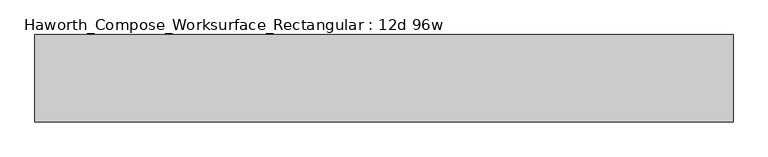
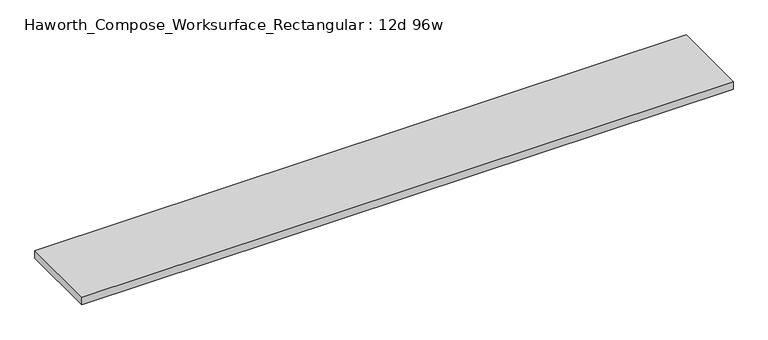
"""IFC4 building model written with IfcOpenShell, lengths in millimetres: furniture geometry, Haworth_Compose_Worksurface_Rectangular : 12d 96w."""

import ifcopenshell
import ifcopenshell.guid

model = None  # the IFC model being written
_history = None  # IfcOwnerHistory: only IFC2X3 demands one
_inside = {}  # id of a spatial element -> (the spatial element, [elements in it])
_under = {}  # id of a project, library or spatial element -> (it, [spatial elements below it])
_declared = {}  # id of a project -> (the project, [libraries it declares])
_typed = {}  # id of a type object -> (the type object, [elements of that type])
_made_of = {}  # id of a material, layer set ... -> (it, [elements and type objects made of it])


def new_model(schema):
    """Start an empty IFC model of exactly this schema.

    Asked for "IFC4X3", IfcOpenShell would pick the latest addendum, in which some entities
    have other attributes; the version numbers below select the first issue.
    IFC2X3 requires an IfcOwnerHistory on every rooted entity: one is made here for all.
    """
    global model, _history
    if schema == "IFC4X3":
        model = ifcopenshell.file(schema_version=(4, 3, 0, 0))
    else:
        model = ifcopenshell.file(schema=schema)
    _inside.clear()
    _under.clear()
    _declared.clear()
    _typed.clear()
    _made_of.clear()
    _history = None
    if model.schema == "IFC2X3":
        org = make("IfcOrganization", Name="unknown")
        user = make(
            "IfcPersonAndOrganization",
            ThePerson=make("IfcPerson", FamilyName="unknown"),
            TheOrganization=org,
        )
        app = make(
            "IfcApplication",
            ApplicationDeveloper=org,
            Version="unknown",
            ApplicationFullName="unknown",
            ApplicationIdentifier="unknown",
        )
        _history = make(
            "IfcOwnerHistory",
            OwningUser=user,
            OwningApplication=app,
            ChangeAction="ADDED",
            CreationDate=0,
        )
    return model


def make(cls, **values):
    """One entity of the class cls with the attributes given. An attribute that is None is left unset."""
    return model.create_entity(
        cls, **{name: value for name, value in values.items() if value is not None}
    )


def rooted(cls, **values):
    """An entity with a GlobalId (a new one), such as an element, a storey or a relation."""
    return make(cls, GlobalId=ifcopenshell.guid.new(), OwnerHistory=_history, **values)


def si_unit(unit_type, name, prefix=None):
    """IfcSIUnit, for example si_unit("LENGTHUNIT", "METRE", prefix="MILLI")."""
    return make("IfcSIUnit", UnitType=unit_type, Prefix=prefix, Name=name)


def assignment(units):
    """IfcUnitAssignment: the units of a project."""
    return None if units is None else make("IfcUnitAssignment", Units=units)


def point(xyz):
    """IfcCartesianPoint."""
    return None if xyz is None else make("IfcCartesianPoint", Coordinates=xyz)


def direction(xyz):
    """IfcDirection."""
    return None if xyz is None else make("IfcDirection", DirectionRatios=xyz)


def frame(location, z_axis=None, x_axis=None):
    """IfcAxis2Placement3D, a coordinate frame: its origin and axes. An axis left out is left unset."""
    return make(
        "IfcAxis2Placement3D",
        Location=point(location),
        Axis=direction(z_axis),
        RefDirection=direction(x_axis),
    )


def origin():
    """The frame at (0, 0, 0) with its axes left unset."""
    return frame((0.0, 0.0, 0.0))


def place(relative_to, where):
    """IfcLocalPlacement: puts the frame where relative to a parent placement (None: the world)."""
    return make(
        "IfcLocalPlacement", PlacementRelTo=relative_to, RelativePlacement=where
    )


def context(
    kind, dimensions, precision=None, world=None, true_north=None, identifier=None
):
    """IfcGeometricRepresentationContext, for example the 3D "Model" context."""
    return make(
        "IfcGeometricRepresentationContext",
        ContextIdentifier=identifier,
        ContextType=kind,
        CoordinateSpaceDimension=dimensions,
        Precision=precision,
        WorldCoordinateSystem=world,
        TrueNorth=true_north,
    )


def project(units=None, contexts=None):
    """IfcProject with its units and contexts."""
    return rooted(
        "IfcProject",
        Name="project",
        RepresentationContexts=contexts,
        UnitsInContext=assignment(units),
    )


def spatial(cls, under=None, at=None, **own):
    """A site, building, storey or space (cls), placed at a placement, below another one or the project."""
    s = rooted(cls, ObjectPlacement=at, **own)
    if under is not None:
        _under.setdefault(under.id(), (under, []))[1].append(s)
    return s


def polyline(points):
    """IfcPolyline through the points."""
    return make("IfcPolyline", Points=[point(p) for p in points])


def outline(outer, holes=None, kind="AREA"):
    """IfcArbitraryClosedProfileDef: a profile drawn as a closed curve; with holes, ...WithVoids."""
    if holes is None:
        return make("IfcArbitraryClosedProfileDef", ProfileType=kind, OuterCurve=outer)
    return make(
        "IfcArbitraryProfileDefWithVoids",
        ProfileType=kind,
        OuterCurve=outer,
        InnerCurves=holes,
    )


def extrude(swept, where, along, depth):
    """IfcExtrudedAreaSolid: the profile swept, set in the frame where, extruded along a direction by depth."""
    return make(
        "IfcExtrudedAreaSolid",
        SweptArea=swept,
        Position=where,
        ExtrudedDirection=direction(along),
        Depth=depth,
    )


def shape(context_of_items, identifier, shape_type, items):
    """IfcShapeRepresentation: the items that make up one representation, for example the "Body"."""
    return make(
        "IfcShapeRepresentation",
        ContextOfItems=context_of_items,
        RepresentationIdentifier=identifier,
        RepresentationType=shape_type,
        Items=items,
    )


def source(mapping_origin, context_of_items, identifier, shape_type, items):
    """IfcRepresentationMap: a shape defined once, which mapped items show again and again."""
    return make(
        "IfcRepresentationMap",
        MappingOrigin=mapping_origin,
        MappedRepresentation=shape(context_of_items, identifier, shape_type, items),
    )


def transform(
    local_origin,
    x_axis=None,
    y_axis=None,
    z_axis=None,
    scale=None,
    scale2=None,
    scale3=None,
    uniform=True,
):
    """IfcCartesianTransformationOperator3D, or its non-uniform kind. x_axis, y_axis, z_axis: its Axis1, 2, 3."""
    if uniform:
        return make(
            "IfcCartesianTransformationOperator3D",
            Axis1=direction(x_axis),
            Axis2=direction(y_axis),
            LocalOrigin=point(local_origin),
            Scale=scale,
            Axis3=direction(z_axis),
        )
    return make(
        "IfcCartesianTransformationOperator3DnonUniform",
        Axis1=direction(x_axis),
        Axis2=direction(y_axis),
        LocalOrigin=point(local_origin),
        Scale=scale,
        Axis3=direction(z_axis),
        Scale2=scale2,
        Scale3=scale3,
    )


def mapped(mapping_source, mapping_target):
    """IfcMappedItem: shows the shape of a source again, moved by a transform."""
    return make(
        "IfcMappedItem", MappingSource=mapping_source, MappingTarget=mapping_target
    )


def made_of(thing, what):
    """Note that an element or type object is made of a material, layer set ...; save() writes the relation."""
    if what is not None:
        _made_of.setdefault(what.id(), (what, []))[1].append(thing)
    return thing


def element(
    cls,
    number,
    at=None,
    inside=None,
    cuts=None,
    type_object=None,
    material=None,
    context=None,
    identifier="Body",
    shape_type=None,
    held_by="IfcProductDefinitionShape",
    body=None,
    shapes=None,
    **own,
):
    """One element of the class cls, such as IfcWall. Its Tag is "e" and its number.

    at: its placement. inside: the storey or other place that contains it. cuts: it is an
    opening in that element (IfcRelVoidsElement). A single representation is given by context,
    identifier, shape_type and body (its items); several are given by shapes. held_by: the class
    of the entity that holds the representations. save() writes the other relations.
    """
    e = rooted(cls, Tag="e%d" % number, ObjectPlacement=at, **own)
    if body is not None:
        shapes = [shape(context, identifier, shape_type, body)]
    if shapes is not None:
        e.Representation = make(held_by, Representations=shapes)
    if inside is not None:
        _inside.setdefault(inside.id(), (inside, []))[1].append(e)
    if cuts is not None:
        rooted(
            "IfcRelVoidsElement", RelatingBuildingElement=cuts, RelatedOpeningElement=e
        )
    if type_object is not None:
        _typed.setdefault(type_object.id(), (type_object, []))[1].append(e)
    return made_of(e, material)


def aggregate(whole, parts):
    """IfcRelAggregates: a whole, such as a stair, and the parts it consists of."""
    return rooted("IfcRelAggregates", RelatingObject=whole, RelatedObjects=parts)


def save(model, path):
    """Write the relations noted so far, then the file.

    IfcRelAggregates (storeys below a building ...), IfcRelContainedInSpatialStructure (elements
    in a storey), IfcRelDefinesByType, IfcRelAssociatesMaterial and IfcRelDeclares: one each for
    every whole, place, type object, material and project.
    """
    for whole, parts in _under.values():
        aggregate(whole, parts)
    for where, things in _inside.values():
        rooted(
            "IfcRelContainedInSpatialStructure",
            RelatedElements=things,
            RelatingStructure=where,
        )
    for kind, things in _typed.values():
        rooted("IfcRelDefinesByType", RelatedObjects=things, RelatingType=kind)
    for what, things in _made_of.values():
        rooted("IfcRelAssociatesMaterial", RelatedObjects=things, RelatingMaterial=what)
    for by, libraries in _declared.values():
        rooted("IfcRelDeclares", RelatingContext=by, RelatedDefinitions=libraries)
    model.write(path)


def haworth_compose_worksurface_rectangular_12d_96w_809ee429(model_context):
    return source(origin(), model_context, "Body", "SweptSolid", [
        extrude(outline(polyline([(1219.2, -152.4), (-1219.2, -152.4), (-1219.2, 152.4), (1219.2, 152.4), (1219.2, -152.4)])), frame((0.0, 0.0, 706.4375), z_axis=(0.0, 0.0, 1.0), x_axis=(1.0, 0.0, 0.0)), (0.0, 0.0, 1.0), 30.1625),
    ])


if __name__ == "__main__":
    model = new_model("IFC4")
    model_context = context("Model", 3, world=origin())
    ifc_project = project(units=[si_unit("LENGTHUNIT", "METRE", prefix="MILLI")], contexts=[model_context])
    site = spatial("IfcSite", under=ifc_project)
    building = spatial("IfcBuilding", under=site)
    placement = place(None, origin())
    haworth_compose_worksurface_rectangular_12d_96w_shape = haworth_compose_worksurface_rectangular_12d_96w_809ee429(model_context)
    element("IfcFurniture", 1, ObjectType="Haworth_Compose_Worksurface_Rectangular : 12d 96w", at=placement, inside=building, context=model_context, shape_type="MappedRepresentation", body=[
        mapped(haworth_compose_worksurface_rectangular_12d_96w_shape, transform((0.0, 0.0, 0.0), x_axis=(1.0, 0.0, 0.0), y_axis=(0.0, 1.0, 0.0), z_axis=(0.0, 0.0, 1.0))),
    ])
    save(model, "model.ifc")
